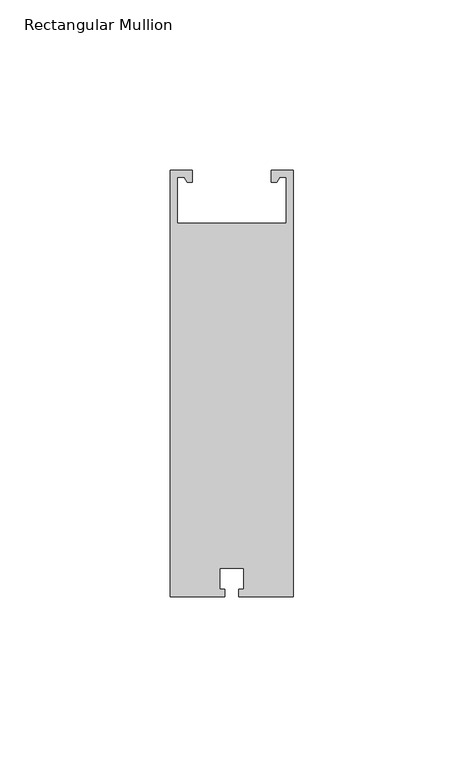
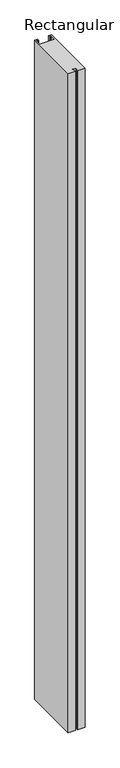
"""IFC4 building model written with IfcOpenShell, lengths in millimetres: member geometry, Rectangular Mullion."""

from ifc_helpers import new_model, si_unit, frame, origin, place, context, project, spatial, polyline, outline, extrude, source, transform, mapped, element, save


def rectangular_mullion_ffc7ad52(model_context):
    return source(origin(), model_context, "Body", "SweptSolid", [
        extrude(outline(polyline([(13.1339746, 121.5), (11.6, 121.5), (11.6, 125.0), (18.0, 125.0), (18.0, 0.0), (2.05, 0.0), (2.05, 2.1), (3.5, 2.1), (3.5, 8.3), (-3.5, 8.3), (-3.5, 2.1), (-2.05, 2.1), (-2.05, 0.0), (-18.0, 0.0), (-18.0, 125.0), (-11.6, 125.0), (-11.6, 121.5), (-13.1339746, 121.5), (-14.0, 123.0), (-16.0, 123.0), (-16.0, 109.5), (16.0, 109.5), (16.0, 123.0), (14.0, 123.0), (13.1339746, 121.5)])), frame((0.0, 0.0, -1500.0), z_axis=(0.0, 0.0, 1.0), x_axis=(1.0, 0.0, 0.0)), (0.0, 0.0, 1.0), 1500.0),
    ])


if __name__ == "__main__":
    model = new_model("IFC4")
    model_context = context("Model", 3, world=origin())
    ifc_project = project(units=[si_unit("LENGTHUNIT", "METRE", prefix="MILLI")], contexts=[model_context])
    site = spatial("IfcSite", under=ifc_project)
    building = spatial("IfcBuilding", under=site)
    placement = place(None, origin())
    rectangular_mullion_shape = rectangular_mullion_ffc7ad52(model_context)
    element("IfcMember", 1, ObjectType="Rectangular Mullion", at=placement, inside=building, context=model_context, shape_type="MappedRepresentation", body=[
        mapped(rectangular_mullion_shape, transform((0.0, 0.0, 0.0), x_axis=(1.0, 0.0, 0.0), y_axis=(0.0, 1.0, 0.0), z_axis=(0.0, 0.0, 1.0))),
    ])
    save(model, "model.ifc")
